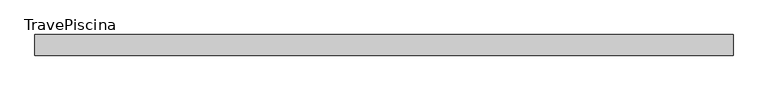
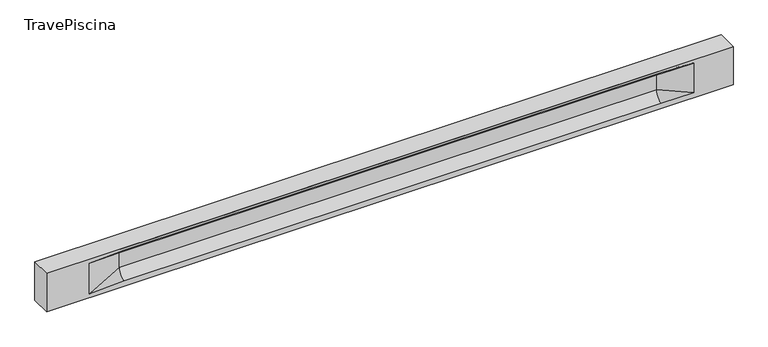
"""IFC4 building model written with IfcOpenShell, lengths in millimetres: beam geometry, TravePiscina."""

from ifc_helpers import new_model, si_unit, frame, origin, place, context, project, spatial, polyline, circle_curve, source, transform, mapped, element, save
from ifc_brep_helpers import plane_surface, revolved_surface, spline_surface, advanced_brep


def travepiscina_61c187d1(model_context):
    return source(origin(), model_context, "Body", "AdvancedBrep", [
        advanced_brep(
        [(8455.0, -250.0, 500.0), (8455.0, -250.0, -500.0), (8455.0, 250.0, -500.0), (8455.0, 250.0, 500.0), (-8455.0, -250.0, 500.0), (-8455.0, -250.0, -500.0), (7480.0, -250.0, -362.0), (6680.0, -250.0, -360.0), (-6555.0, -250.0, -360.0), (-7405.0, -250.0, -400.0), (-7405.0, -250.0, 400.0), (-6555.0, -250.0, 435.0), (6680.0, -250.0, 435.0), (7480.0, -250.0, 400.0), (-8455.0, 250.0, -500.0), (-8455.0, 250.0, 500.0), (7480.0, 250.0, 400.0), (6680.0, 250.0, 435.0), (-6555.0, 250.0, 435.0), (-7405.0, 250.0, 400.0), (-7405.0, 250.0, -400.0), (-6555.0, 250.0, -360.0), (6680.0, 250.0, -360.0), (7480.0, 250.0, -362.0), (6680.0, 155.0, 405.0), (-6555.0, 155.0, 405.0), (-6555.0, -60.0, 262.777021), (6680.0, -60.0, 262.777021), (6680.0, -155.0, 405.0), (-6555.0, -155.0, 405.0), (-6555.0, 60.0, 262.777021), (6680.0, 60.0, 262.777021), (6680.0, 60.0, -120.0), (-6555.0, 60.0, -120.0), (-6555.0, -60.0, -120.0), (6680.0, -60.0, -120.0)],
        [
            (0, 1),
            (1, 2),
            (2, 3),
            (3, 0),
            (0, 4),
            (4, 5),
            (5, 1),
            (6, 7),
            (7, 8),
            (8, 9),
            (9, 10),
            (10, 11),
            (11, 12),
            (12, 13),
            (13, 6),
            (5, 14),
            (14, 2),
            (14, 15),
            (15, 3),
            (16, 17),
            (17, 18),
            (18, 19),
            (19, 20),
            (20, 21),
            (21, 22),
            (22, 23),
            (23, 16),
            (15, 4),
            (17, 24),
            (24, 25),
            (25, 18),
            (26, 27),
            (27, 28, circle_curve(frame((6680.0, -213.9598725, 262.777021), z_axis=(1.0, 0.0, 0.0), x_axis=(0.0, 1.0, 0.0)), 153.9598725)),
            (28, 29),
            (29, 26, circle_curve(frame((-6555.0, -213.9598725, 262.777021), z_axis=(-1.0, 0.0, 0.0), x_axis=(0.0, 1.0, 0.0)), 153.9598725)),
            (30, 31),
            (31, 32),
            (32, 33),
            (33, 30),
            (28, 12),
            (11, 29),
            (34, 35),
            (35, 27),
            (26, 34),
            (25, 19),
            (22, 32, circle_curve(frame((6680.0, 306.5789474, -120.0), z_axis=(-1.0, 0.0, 0.0), x_axis=(0.0, 1.0, 0.0)), 246.5789474)),
            (32, 23),
            (10, 29),
            (10, 26),
            (13, 28),
            (27, 13),
            (30, 19),
            (25, 30, circle_curve(frame((-6555.0, 213.9598725, 262.777021), z_axis=(1.0, 0.0, 0.0), x_axis=(0.0, 1.0, 0.0)), 153.9598725)),
            (9, 34),
            (8, 34, circle_curve(frame((-6555.0, -306.5789474, -120.0), z_axis=(1.0, 0.0, 0.0), x_axis=(0.0, 1.0, 0.0)), 246.5789474)),
            (20, 33),
            (33, 21, circle_curve(frame((-6555.0, 306.5789474, -120.0), z_axis=(1.0, 0.0, 0.0), x_axis=(0.0, 1.0, 0.0)), 246.5789474)),
            (35, 6),
            (35, 7, circle_curve(frame((6680.0, -306.5789474, -120.0), z_axis=(-1.0, 0.0, 0.0), x_axis=(0.0, 1.0, 0.0)), 246.5789474)),
            (31, 16),
            (31, 24, circle_curve(frame((6680.0, 213.9598725, 262.777021), z_axis=(-1.0, 0.0, 0.0), x_axis=(0.0, 1.0, 0.0)), 153.9598725)),
            (24, 16),
        ],
        [
            plane_surface(frame((8455.0, 0.0, 0.0), z_axis=(1.0, 0.0, 0.0), x_axis=(0.0, 0.0, 1.0))),
            plane_surface(frame((8455.0, -250.0, 500.0), z_axis=(0.0, -1.0, 0.0), x_axis=(-1.0, 0.0, 0.0))),
            plane_surface(frame((8455.0, -250.0, -500.0), z_axis=(0.0, 0.0, -1.0), x_axis=(-1.0, 0.0, 0.0))),
            plane_surface(frame((8455.0, 250.0, -500.0), z_axis=(0.0, 1.0, 0.0), x_axis=(-1.0, 0.0, 0.0))),
            plane_surface(frame((8455.0, 250.0, 500.0), z_axis=(0.0, 0.0, 1.0), x_axis=(-1.0, 0.0, 0.0))),
            plane_surface(frame((-6555.0, 250.0, 435.0), z_axis=(0.0, 0.30113136793710954, -0.9535826651341378), x_axis=(1.0, 0.0, 0.0))),
            plane_surface(frame((-8455.0, 0.0, 0.0), z_axis=(-1.0, 0.0, 0.0), x_axis=(0.0, 0.0, 1.0))),
            revolved_surface(polyline([(6680.0, -60.0, 262.777021), (-6555.0, -60.0, 262.777021)]), (-6555.0, -213.9598725, 262.777021), (1.0, 0.0, 0.0)),
            plane_surface(frame((-6555.0, 60.0, 262.777021), z_axis=(0.0, 1.0, 0.0), x_axis=(1.0, 0.0, 0.0))),
            plane_surface(frame((-6555.0, -155.0, 405.0), z_axis=(0.0, -0.30113136793710693, -0.9535826651341387), x_axis=(1.0, 0.0, 0.0))),
            plane_surface(frame((-6555.0, -60.0, -120.0), z_axis=(0.0, -1.0, 0.0), x_axis=(1.0, 0.0, 0.0))),
            plane_surface(frame((-7405.0, 250.0, 400.0), z_axis=(0.03923493491469425, 0.30089950084952793, -0.9528484193567961), x_axis=(0.0, 0.9535826651341378, 0.30113136793710954))),
            spline_surface(2, 1, [[(6680.0, 250.0, -360.0), (7480.0, 250.0, -362.0)], [(6680.0, 60.00000002887427, -315.20833329480604), (7480.0, 250.0, -362.0)], [(6680.0, 60.0, -120.0), (7480.0, 250.0, -362.0)]], [3, 3], [2, 2], [0.0, 1.0], [0.0, 1.0], weights=[[1.0, 1.0], [0.7840458245391329, 0.7840458245391329], [1.0, 1.0]]),
            plane_surface(frame((-7405.0, -250.0, 400.0), z_axis=(0.03923493491469428, -0.3008995008495253, -0.952848419356797), x_axis=(0.0, 0.9535826651341387, -0.30113136793710693))),
            spline_surface(2, 1, [[(-7405.0, -250.0, 400.0), (-6555.0, -155.0, 405.0)], [(-7405.0, -250.0, 400.0), (-6555.0, -60.00000008030692, 365.6168572114734)], [(-7405.0, -250.0, 400.0), (-6555.0, -60.0, 262.777021)]], [3, 3], [2, 2], [0.0, 1.0], [0.0, 1.0], weights=[[1.0, 1.0], [0.8315515924557569, 0.8315515924557569], [1.0, 1.0]]),
            spline_surface(2, 1, [[(6680.0, -155.0, 405.0), (7480.0, -250.0, 400.0)], [(6680.0, -60.00000008030692, 365.6168572114734), (7480.0, -250.0, 400.0)], [(6680.0, -60.0, 262.777021), (7480.0, -250.0, 400.0)]], [3, 3], [2, 2], [0.0, 1.0], [0.0, 1.0], weights=[[1.0, 1.0], [0.8315515924557569, 0.8315515924557569], [1.0, 1.0]]),
            plane_surface(frame((6680.0, -202.5, 420.0), z_axis=(-0.04168298285568746, -0.30086965068766125, -0.9527538938442274), x_axis=(0.0, 0.9535826651341387, -0.30113136793710693))),
            spline_surface(2, 1, [[(-7405.0, 250.0, 400.0), (-6555.0, 60.0, 262.777021)], [(-7405.0, 250.0, 400.0), (-6555.0, 59.99999995452379, 365.6168572954922)], [(-7405.0, 250.0, 400.0), (-6555.0, 155.0, 405.0)]], [3, 3], [2, 2], [0.0, 1.0], [0.0, 1.0], weights=[[1.0, 1.0], [0.8315515921160737, 0.8315515921160737], [1.0, 1.0]]),
            plane_surface(frame((-7405.0, -250.0, 0.0), z_axis=(0.21814596370705175, -0.9759161534262673, 0.0), x_axis=(0.0, 0.0, -1.0))),
            spline_surface(2, 1, [[(-7405.0, -250.0, -400.0), (-6555.0, -60.0, -120.0)], [(-7405.0, -250.0, -400.0), (-6555.0, -59.99999998020837, -315.20833333333337)], [(-7405.0, -250.0, -400.0), (-6555.0, -250.0, -360.0)]], [3, 3], [2, 2], [0.0, 1.0], [0.0, 1.0], weights=[[1.0, 1.0], [0.7840458244617614, 0.7840458244617614], [1.0, 1.0]]),
            spline_surface(2, 1, [[(-7405.0, 250.0, -400.0), (-6555.0, 250.0, -360.0)], [(-7405.0, 250.0, -400.0), (-6555.0, 60.00000002887427, -315.20833329480604)], [(-7405.0, 250.0, -400.0), (-6555.0, 60.0, -120.0)]], [3, 3], [2, 2], [0.0, 1.0], [0.0, 1.0], weights=[[1.0, 1.0], [0.7840458245391329, 0.7840458245391329], [1.0, 1.0]]),
            plane_surface(frame((-7405.0, 250.0, 0.0), z_axis=(0.2181459637070477, 0.9759161534262683, 0.0), x_axis=(0.0, 0.0, 1.0))),
            plane_surface(frame((6680.0, -60.0, 71.3885105), z_axis=(-0.23107243079589737, -0.9729365507195602, 0.0), x_axis=(0.0, 0.0, -1.0))),
            spline_surface(2, 1, [[(6680.0, -60.0, -120.0), (7480.0, -250.0, -362.0)], [(6680.0, -59.99999998020837, -315.20833333333337), (7480.0, -250.0, -362.0)], [(6680.0, -250.0, -360.0), (7480.0, -250.0, -362.0)]], [3, 3], [2, 2], [0.0, 1.0], [0.0, 1.0], weights=[[1.0, 1.0], [0.7840458244617614, 0.7840458244617614], [1.0, 1.0]]),
            plane_surface(frame((6680.0, 60.0, 71.3885105), z_axis=(-0.23107243079589093, 0.9729365507195618, 0.0), x_axis=(0.0, 0.0, 1.0))),
            spline_surface(2, 1, [[(6680.0, 60.0, 262.777021), (7480.0, 250.0, 400.0)], [(6680.0, 59.99999995452379, 365.6168572954922), (7480.0, 250.0, 400.0)], [(6680.0, 155.0, 405.0), (7480.0, 250.0, 400.0)]], [3, 3], [2, 2], [0.0, 1.0], [0.0, 1.0], weights=[[1.0, 1.0], [0.8315515921160737, 0.8315515921160737], [1.0, 1.0]]),
            plane_surface(frame((6680.0, 202.5, 420.0), z_axis=(-0.04168298285568672, 0.30086965068766386, -0.9527538938442265), x_axis=(0.0, 0.9535826651341378, 0.30113136793710954))),
            revolved_surface(polyline([(6680.0, 367.919745, 262.777021), (-6555.0, 367.919745, 262.777021)]), (-6555.0, 213.9598725, 262.777021), (1.0, 0.0, 0.0)),
            revolved_surface(polyline([(6680.0, 553.1578948, -120.0), (-6555.0, 553.1578948, -120.0)]), (-6555.0, 306.5789474, -120.0), (1.0, 0.0, 0.0)),
            revolved_surface(polyline([(6680.0, -60.0, -120.0), (-6555.0, -60.0, -120.0)]), (-6555.0, -306.5789474, -120.0), (1.0, 0.0, 0.0)),
        ],
        [
            (0, [[1, 2, 3, 4]]),
            (1, [[-1, 5, 6, 7], [8, 9, 10, 11, 12, 13, 14, 15]]),
            (2, [[-2, -7, 16, 17]]),
            (3, [[-3, -17, 18, 19], [20, 21, 22, 23, 24, 25, 26, 27]]),
            (4, [[-5, -4, -19, 28]]),
            (5, [[-21, 29, 30, 31]]),
            (6, [[-28, -18, -16, -6]]),
            (7, [[32, 33, 34, 35]]),
            (8, [[36, 37, 38, 39]]),
            (9, [[-34, 40, -13, 41]]),
            (10, [[42, 43, -32, 44]]),
            (11, [[45, -22, -31]]),
            (12, [[-26, 46, 47]]),
            (13, [[-12, 48, -41]]),
            (14, [[-48, 49, -35]]),
            (15, [[50, -33, 51]]),
            (16, [[-14, -40, -50]]),
            (17, [[52, -45, 53]]),
            (18, [[-49, -11, 54, -44]]),
            (19, [[-54, -10, 55]]),
            (20, [[-24, 56, 57]]),
            (21, [[-52, -39, -56, -23]]),
            (22, [[-51, -43, 58, -15]]),
            (23, [[-58, 59, -8]]),
            (24, [[-47, -37, 60, -27]]),
            (25, [[-60, 61, 62]]),
            (26, [[-62, -29, -20]]),
            (27, [[-30, -61, -36, -53]]),
            (28, [[-38, -46, -25, -57]]),
            (29, [[-9, -59, -42, -55]]),
        ],
    ),
    ])


if __name__ == "__main__":
    model = new_model("IFC4")
    model_context = context("Model", 3, world=origin())
    ifc_project = project(units=[si_unit("LENGTHUNIT", "METRE", prefix="MILLI")], contexts=[model_context])
    site = spatial("IfcSite", under=ifc_project)
    building = spatial("IfcBuilding", under=site)
    placement = place(None, origin())
    travepiscina_shape = travepiscina_61c187d1(model_context)
    element("IfcBeam", 1, ObjectType="TravePiscina", at=placement, inside=building, context=model_context, shape_type="MappedRepresentation", body=[
        mapped(travepiscina_shape, transform((0.0, 0.0, 0.0), x_axis=(1.0, 0.0, 0.0), y_axis=(0.0, 1.0, 0.0), z_axis=(0.0, 0.0, 1.0))),
    ])
    save(model, "model.ifc")
